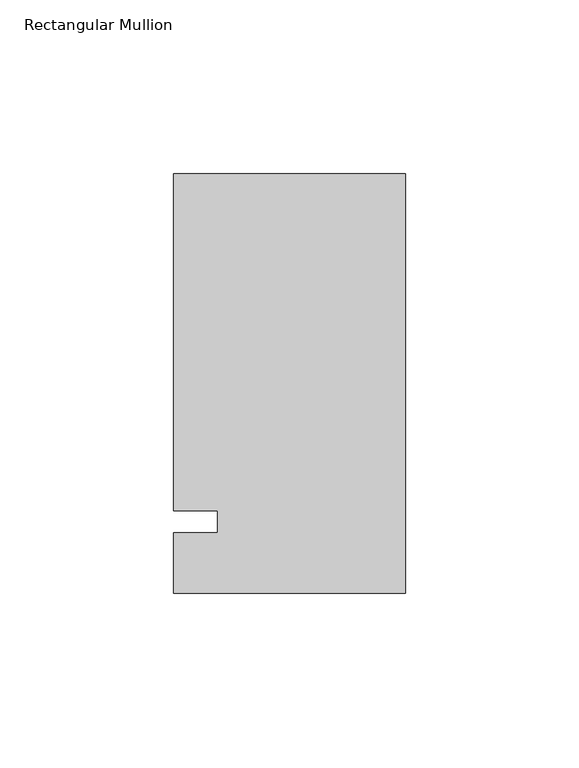
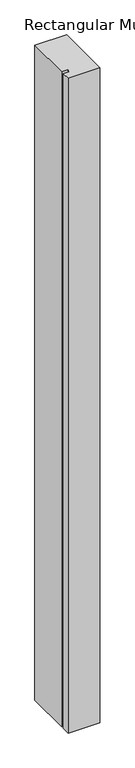
"""IFC4 building model written with IfcOpenShell, lengths in millimetres: member geometry, Rectangular Mullion."""

import ifcopenshell
import ifcopenshell.guid

model = None  # the IFC model being written
_history = None  # IfcOwnerHistory: only IFC2X3 demands one
_inside = {}  # id of a spatial element -> (the spatial element, [elements in it])
_under = {}  # id of a project, library or spatial element -> (it, [spatial elements below it])
_declared = {}  # id of a project -> (the project, [libraries it declares])
_typed = {}  # id of a type object -> (the type object, [elements of that type])
_made_of = {}  # id of a material, layer set ... -> (it, [elements and type objects made of it])


def new_model(schema):
    """Start an empty IFC model of exactly this schema.

    Asked for "IFC4X3", IfcOpenShell would pick the latest addendum, in which some entities
    have other attributes; the version numbers below select the first issue.
    IFC2X3 requires an IfcOwnerHistory on every rooted entity: one is made here for all.
    """
    global model, _history
    if schema == "IFC4X3":
        model = ifcopenshell.file(schema_version=(4, 3, 0, 0))
    else:
        model = ifcopenshell.file(schema=schema)
    _inside.clear()
    _under.clear()
    _declared.clear()
    _typed.clear()
    _made_of.clear()
    _history = None
    if model.schema == "IFC2X3":
        org = make("IfcOrganization", Name="unknown")
        user = make(
            "IfcPersonAndOrganization",
            ThePerson=make("IfcPerson", FamilyName="unknown"),
            TheOrganization=org,
        )
        app = make(
            "IfcApplication",
            ApplicationDeveloper=org,
            Version="unknown",
            ApplicationFullName="unknown",
            ApplicationIdentifier="unknown",
        )
        _history = make(
            "IfcOwnerHistory",
            OwningUser=user,
            OwningApplication=app,
            ChangeAction="ADDED",
            CreationDate=0,
        )
    return model


def make(cls, **values):
    """One entity of the class cls with the attributes given. An attribute that is None is left unset."""
    return model.create_entity(
        cls, **{name: value for name, value in values.items() if value is not None}
    )


def rooted(cls, **values):
    """An entity with a GlobalId (a new one), such as an element, a storey or a relation."""
    return make(cls, GlobalId=ifcopenshell.guid.new(), OwnerHistory=_history, **values)


def si_unit(unit_type, name, prefix=None):
    """IfcSIUnit, for example si_unit("LENGTHUNIT", "METRE", prefix="MILLI")."""
    return make("IfcSIUnit", UnitType=unit_type, Prefix=prefix, Name=name)


def assignment(units):
    """IfcUnitAssignment: the units of a project."""
    return None if units is None else make("IfcUnitAssignment", Units=units)


def point(xyz):
    """IfcCartesianPoint."""
    return None if xyz is None else make("IfcCartesianPoint", Coordinates=xyz)


def direction(xyz):
    """IfcDirection."""
    return None if xyz is None else make("IfcDirection", DirectionRatios=xyz)


def frame(location, z_axis=None, x_axis=None):
    """IfcAxis2Placement3D, a coordinate frame: its origin and axes. An axis left out is left unset."""
    return make(
        "IfcAxis2Placement3D",
        Location=point(location),
        Axis=direction(z_axis),
        RefDirection=direction(x_axis),
    )


def origin():
    """The frame at (0, 0, 0) with its axes left unset."""
    return frame((0.0, 0.0, 0.0))


def place(relative_to, where):
    """IfcLocalPlacement: puts the frame where relative to a parent placement (None: the world)."""
    return make(
        "IfcLocalPlacement", PlacementRelTo=relative_to, RelativePlacement=where
    )


def context(
    kind, dimensions, precision=None, world=None, true_north=None, identifier=None
):
    """IfcGeometricRepresentationContext, for example the 3D "Model" context."""
    return make(
        "IfcGeometricRepresentationContext",
        ContextIdentifier=identifier,
        ContextType=kind,
        CoordinateSpaceDimension=dimensions,
        Precision=precision,
        WorldCoordinateSystem=world,
        TrueNorth=true_north,
    )


def project(units=None, contexts=None):
    """IfcProject with its units and contexts."""
    return rooted(
        "IfcProject",
        Name="project",
        RepresentationContexts=contexts,
        UnitsInContext=assignment(units),
    )


def spatial(cls, under=None, at=None, **own):
    """A site, building, storey or space (cls), placed at a placement, below another one or the project."""
    s = rooted(cls, ObjectPlacement=at, **own)
    if under is not None:
        _under.setdefault(under.id(), (under, []))[1].append(s)
    return s


def polyline(points):
    """IfcPolyline through the points."""
    return make("IfcPolyline", Points=[point(p) for p in points])


def outline(outer, holes=None, kind="AREA"):
    """IfcArbitraryClosedProfileDef: a profile drawn as a closed curve; with holes, ...WithVoids."""
    if holes is None:
        return make("IfcArbitraryClosedProfileDef", ProfileType=kind, OuterCurve=outer)
    return make(
        "IfcArbitraryProfileDefWithVoids",
        ProfileType=kind,
        OuterCurve=outer,
        InnerCurves=holes,
    )


def extrude(swept, where, along, depth):
    """IfcExtrudedAreaSolid: the profile swept, set in the frame where, extruded along a direction by depth."""
    return make(
        "IfcExtrudedAreaSolid",
        SweptArea=swept,
        Position=where,
        ExtrudedDirection=direction(along),
        Depth=depth,
    )


def shape(context_of_items, identifier, shape_type, items):
    """IfcShapeRepresentation: the items that make up one representation, for example the "Body"."""
    return make(
        "IfcShapeRepresentation",
        ContextOfItems=context_of_items,
        RepresentationIdentifier=identifier,
        RepresentationType=shape_type,
        Items=items,
    )


def source(mapping_origin, context_of_items, identifier, shape_type, items):
    """IfcRepresentationMap: a shape defined once, which mapped items show again and again."""
    return make(
        "IfcRepresentationMap",
        MappingOrigin=mapping_origin,
        MappedRepresentation=shape(context_of_items, identifier, shape_type, items),
    )


def transform(
    local_origin,
    x_axis=None,
    y_axis=None,
    z_axis=None,
    scale=None,
    scale2=None,
    scale3=None,
    uniform=True,
):
    """IfcCartesianTransformationOperator3D, or its non-uniform kind. x_axis, y_axis, z_axis: its Axis1, 2, 3."""
    if uniform:
        return make(
            "IfcCartesianTransformationOperator3D",
            Axis1=direction(x_axis),
            Axis2=direction(y_axis),
            LocalOrigin=point(local_origin),
            Scale=scale,
            Axis3=direction(z_axis),
        )
    return make(
        "IfcCartesianTransformationOperator3DnonUniform",
        Axis1=direction(x_axis),
        Axis2=direction(y_axis),
        LocalOrigin=point(local_origin),
        Scale=scale,
        Axis3=direction(z_axis),
        Scale2=scale2,
        Scale3=scale3,
    )


def mapped(mapping_source, mapping_target):
    """IfcMappedItem: shows the shape of a source again, moved by a transform."""
    return make(
        "IfcMappedItem", MappingSource=mapping_source, MappingTarget=mapping_target
    )


def made_of(thing, what):
    """Note that an element or type object is made of a material, layer set ...; save() writes the relation."""
    if what is not None:
        _made_of.setdefault(what.id(), (what, []))[1].append(thing)
    return thing


def element(
    cls,
    number,
    at=None,
    inside=None,
    cuts=None,
    type_object=None,
    material=None,
    context=None,
    identifier="Body",
    shape_type=None,
    held_by="IfcProductDefinitionShape",
    body=None,
    shapes=None,
    **own,
):
    """One element of the class cls, such as IfcWall. Its Tag is "e" and its number.

    at: its placement. inside: the storey or other place that contains it. cuts: it is an
    opening in that element (IfcRelVoidsElement). A single representation is given by context,
    identifier, shape_type and body (its items); several are given by shapes. held_by: the class
    of the entity that holds the representations. save() writes the other relations.
    """
    e = rooted(cls, Tag="e%d" % number, ObjectPlacement=at, **own)
    if body is not None:
        shapes = [shape(context, identifier, shape_type, body)]
    if shapes is not None:
        e.Representation = make(held_by, Representations=shapes)
    if inside is not None:
        _inside.setdefault(inside.id(), (inside, []))[1].append(e)
    if cuts is not None:
        rooted(
            "IfcRelVoidsElement", RelatingBuildingElement=cuts, RelatedOpeningElement=e
        )
    if type_object is not None:
        _typed.setdefault(type_object.id(), (type_object, []))[1].append(e)
    return made_of(e, material)


def aggregate(whole, parts):
    """IfcRelAggregates: a whole, such as a stair, and the parts it consists of."""
    return rooted("IfcRelAggregates", RelatingObject=whole, RelatedObjects=parts)


def save(model, path):
    """Write the relations noted so far, then the file.

    IfcRelAggregates (storeys below a building ...), IfcRelContainedInSpatialStructure (elements
    in a storey), IfcRelDefinesByType, IfcRelAssociatesMaterial and IfcRelDeclares: one each for
    every whole, place, type object, material and project.
    """
    for whole, parts in _under.values():
        aggregate(whole, parts)
    for where, things in _inside.values():
        rooted(
            "IfcRelContainedInSpatialStructure",
            RelatedElements=things,
            RelatingStructure=where,
        )
    for kind, things in _typed.values():
        rooted("IfcRelDefinesByType", RelatedObjects=things, RelatingType=kind)
    for what, things in _made_of.values():
        rooted("IfcRelAssociatesMaterial", RelatedObjects=things, RelatingMaterial=what)
    for by, libraries in _declared.values():
        rooted("IfcRelDeclares", RelatingContext=by, RelatedDefinitions=libraries)
    model.write(path)


def rectangular_mullion_83f27f61(model_context):
    return source(origin(), model_context, "Body", "SweptSolid", [
        extrude(outline(polyline([(-66.675, 100.0125), (0.0, 100.0125), (0.0, -20.6375), (-66.675, -20.6375), (-66.675, -3.175), (-53.9732296, -3.175), (-53.9732296, 3.175), (-66.675, 3.175), (-66.675, 100.0125)])), frame((0.0, 0.0, -1449.9166667), z_axis=(0.0, 0.0, 1.0), x_axis=(1.0, 0.0, 0.0)), (0.0, 0.0, 1.0), 1449.9166667),
    ])


if __name__ == "__main__":
    model = new_model("IFC4")
    model_context = context("Model", 3, world=origin())
    ifc_project = project(units=[si_unit("LENGTHUNIT", "METRE", prefix="MILLI")], contexts=[model_context])
    site = spatial("IfcSite", under=ifc_project)
    building = spatial("IfcBuilding", under=site)
    placement = place(None, origin())
    rectangular_mullion_shape = rectangular_mullion_83f27f61(model_context)
    element("IfcMember", 1, ObjectType="Rectangular Mullion", at=placement, inside=building, context=model_context, shape_type="MappedRepresentation", body=[
        mapped(rectangular_mullion_shape, transform((0.0, 0.0, 0.0), x_axis=(1.0, 0.0, 0.0), y_axis=(0.0, 1.0, 0.0), z_axis=(0.0, 0.0, 1.0))),
    ])
    save(model, "model.ifc")
